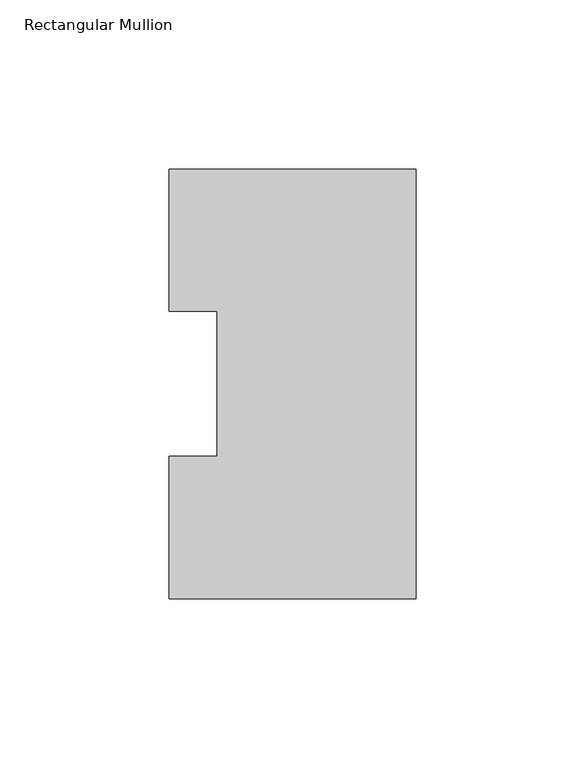
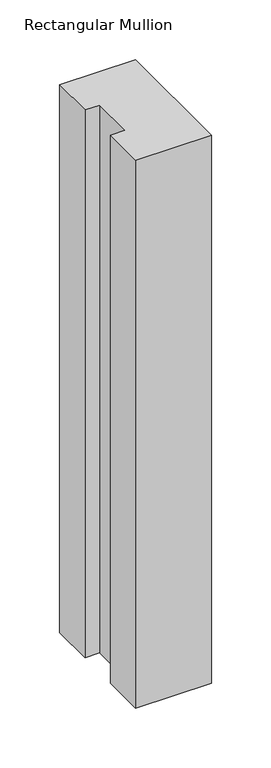
"""IFC4 building model written with IfcOpenShell, lengths in millimetres: member geometry, Rectangular Mullion."""

from ifc_helpers import new_model, si_unit, frame, origin, place, context, project, spatial, polyline, outline, extrude, source, transform, mapped, element, save


def rectangular_mullion_14848ffa(model_context):
    return source(origin(), model_context, "Body", "SweptSolid", [
        extrude(outline(polyline([(0.0, 127.006348), (0.0, 0.0063465), (-73.025, 0.0063465), (-73.025, 42.0814491), (-58.7375, 42.0814491), (-58.7375, 84.93125), (-73.025, 84.93125), (-73.025, 127.006348), (0.0, 127.006348)])), frame((0.0, 0.0, -558.8063827), z_axis=(0.0, 0.0, 1.0), x_axis=(1.0, 0.0, 0.0)), (0.0, 0.0, 1.0), 558.8063827),
    ])


if __name__ == "__main__":
    model = new_model("IFC4")
    model_context = context("Model", 3, world=origin())
    ifc_project = project(units=[si_unit("LENGTHUNIT", "METRE", prefix="MILLI")], contexts=[model_context])
    site = spatial("IfcSite", under=ifc_project)
    building = spatial("IfcBuilding", under=site)
    placement = place(None, origin())
    rectangular_mullion_shape = rectangular_mullion_14848ffa(model_context)
    element("IfcMember", 1, ObjectType="Rectangular Mullion", at=placement, inside=building, context=model_context, shape_type="MappedRepresentation", body=[
        mapped(rectangular_mullion_shape, transform((0.0, 0.0, 0.0), x_axis=(1.0, 0.0, 0.0), y_axis=(0.0, 1.0, 0.0), z_axis=(0.0, 0.0, 1.0))),
    ])
    save(model, "model.ifc")
